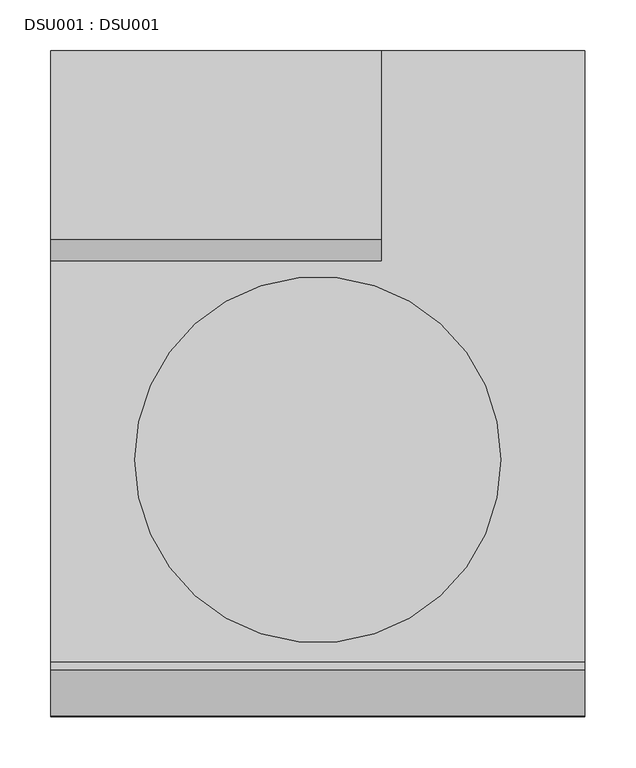
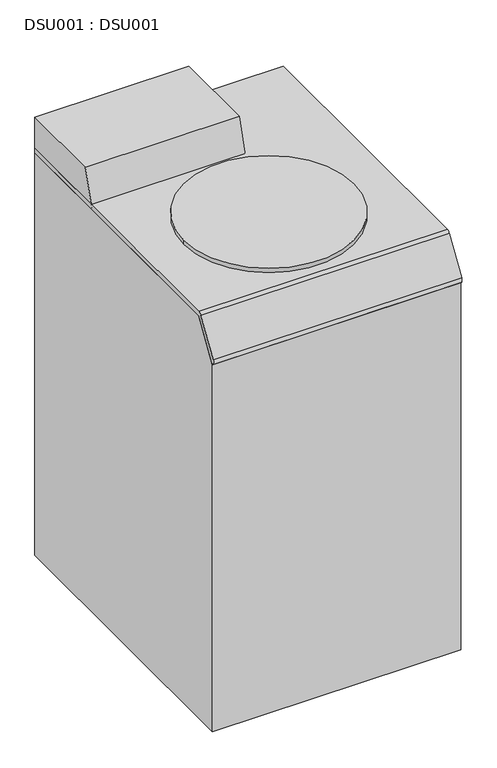
"""IFC4 building model written with IfcOpenShell, lengths in millimetres: proxy geometry, DSU001 : DSU001."""

import ifcopenshell
import ifcopenshell.guid

model = None  # the IFC model being written
_history = None  # IfcOwnerHistory: only IFC2X3 demands one
_inside = {}  # id of a spatial element -> (the spatial element, [elements in it])
_under = {}  # id of a project, library or spatial element -> (it, [spatial elements below it])
_declared = {}  # id of a project -> (the project, [libraries it declares])
_typed = {}  # id of a type object -> (the type object, [elements of that type])
_made_of = {}  # id of a material, layer set ... -> (it, [elements and type objects made of it])


def new_model(schema):
    """Start an empty IFC model of exactly this schema.

    Asked for "IFC4X3", IfcOpenShell would pick the latest addendum, in which some entities
    have other attributes; the version numbers below select the first issue.
    IFC2X3 requires an IfcOwnerHistory on every rooted entity: one is made here for all.
    """
    global model, _history
    if schema == "IFC4X3":
        model = ifcopenshell.file(schema_version=(4, 3, 0, 0))
    else:
        model = ifcopenshell.file(schema=schema)
    _inside.clear()
    _under.clear()
    _declared.clear()
    _typed.clear()
    _made_of.clear()
    _history = None
    if model.schema == "IFC2X3":
        org = make("IfcOrganization", Name="unknown")
        user = make(
            "IfcPersonAndOrganization",
            ThePerson=make("IfcPerson", FamilyName="unknown"),
            TheOrganization=org,
        )
        app = make(
            "IfcApplication",
            ApplicationDeveloper=org,
            Version="unknown",
            ApplicationFullName="unknown",
            ApplicationIdentifier="unknown",
        )
        _history = make(
            "IfcOwnerHistory",
            OwningUser=user,
            OwningApplication=app,
            ChangeAction="ADDED",
            CreationDate=0,
        )
    return model


def make(cls, **values):
    """One entity of the class cls with the attributes given. An attribute that is None is left unset."""
    return model.create_entity(
        cls, **{name: value for name, value in values.items() if value is not None}
    )


def rooted(cls, **values):
    """An entity with a GlobalId (a new one), such as an element, a storey or a relation."""
    return make(cls, GlobalId=ifcopenshell.guid.new(), OwnerHistory=_history, **values)


def si_unit(unit_type, name, prefix=None):
    """IfcSIUnit, for example si_unit("LENGTHUNIT", "METRE", prefix="MILLI")."""
    return make("IfcSIUnit", UnitType=unit_type, Prefix=prefix, Name=name)


def assignment(units):
    """IfcUnitAssignment: the units of a project."""
    return None if units is None else make("IfcUnitAssignment", Units=units)


def point(xyz):
    """IfcCartesianPoint."""
    return None if xyz is None else make("IfcCartesianPoint", Coordinates=xyz)


def direction(xyz):
    """IfcDirection."""
    return None if xyz is None else make("IfcDirection", DirectionRatios=xyz)


def frame(location, z_axis=None, x_axis=None):
    """IfcAxis2Placement3D, a coordinate frame: its origin and axes. An axis left out is left unset."""
    return make(
        "IfcAxis2Placement3D",
        Location=point(location),
        Axis=direction(z_axis),
        RefDirection=direction(x_axis),
    )


def frame_2d(location, x_axis=None):
    """IfcAxis2Placement2D, a coordinate frame in the plane: its origin and x axis."""
    return make(
        "IfcAxis2Placement2D", Location=point(location), RefDirection=direction(x_axis)
    )


def origin():
    """The frame at (0, 0, 0) with its axes left unset."""
    return frame((0.0, 0.0, 0.0))


def place(relative_to, where):
    """IfcLocalPlacement: puts the frame where relative to a parent placement (None: the world)."""
    return make(
        "IfcLocalPlacement", PlacementRelTo=relative_to, RelativePlacement=where
    )


def context(
    kind, dimensions, precision=None, world=None, true_north=None, identifier=None
):
    """IfcGeometricRepresentationContext, for example the 3D "Model" context."""
    return make(
        "IfcGeometricRepresentationContext",
        ContextIdentifier=identifier,
        ContextType=kind,
        CoordinateSpaceDimension=dimensions,
        Precision=precision,
        WorldCoordinateSystem=world,
        TrueNorth=true_north,
    )


def project(units=None, contexts=None):
    """IfcProject with its units and contexts."""
    return rooted(
        "IfcProject",
        Name="project",
        RepresentationContexts=contexts,
        UnitsInContext=assignment(units),
    )


def spatial(cls, under=None, at=None, **own):
    """A site, building, storey or space (cls), placed at a placement, below another one or the project."""
    s = rooted(cls, ObjectPlacement=at, **own)
    if under is not None:
        _under.setdefault(under.id(), (under, []))[1].append(s)
    return s


def polyline(points):
    """IfcPolyline through the points."""
    return make("IfcPolyline", Points=[point(p) for p in points])


def circle_curve(where, radius):
    """IfcCircle in the frame where."""
    return make("IfcCircle", Position=where, Radius=radius)


def trimmed(basis, trim1, trim2, sense, master):
    """IfcTrimmedCurve: the piece of a basis curve between two trims."""
    return make(
        "IfcTrimmedCurve",
        BasisCurve=basis,
        Trim1=trim1,
        Trim2=trim2,
        SenseAgreement=sense,
        MasterRepresentation=master,
    )


def segment(curve, same_sense, transition):
    """IfcCompositeCurveSegment."""
    return make(
        "IfcCompositeCurveSegment",
        Transition=transition,
        SameSense=same_sense,
        ParentCurve=curve,
    )


def composite_curve(segments, self_intersect=None):
    """IfcCompositeCurve: segments joined end to end."""
    return make("IfcCompositeCurve", Segments=segments, SelfIntersect=self_intersect)


def outline(outer, holes=None, kind="AREA"):
    """IfcArbitraryClosedProfileDef: a profile drawn as a closed curve; with holes, ...WithVoids."""
    if holes is None:
        return make("IfcArbitraryClosedProfileDef", ProfileType=kind, OuterCurve=outer)
    return make(
        "IfcArbitraryProfileDefWithVoids",
        ProfileType=kind,
        OuterCurve=outer,
        InnerCurves=holes,
    )


def extrude(swept, where, along, depth):
    """IfcExtrudedAreaSolid: the profile swept, set in the frame where, extruded along a direction by depth."""
    return make(
        "IfcExtrudedAreaSolid",
        SweptArea=swept,
        Position=where,
        ExtrudedDirection=direction(along),
        Depth=depth,
    )


def shape(context_of_items, identifier, shape_type, items):
    """IfcShapeRepresentation: the items that make up one representation, for example the "Body"."""
    return make(
        "IfcShapeRepresentation",
        ContextOfItems=context_of_items,
        RepresentationIdentifier=identifier,
        RepresentationType=shape_type,
        Items=items,
    )


def source(mapping_origin, context_of_items, identifier, shape_type, items):
    """IfcRepresentationMap: a shape defined once, which mapped items show again and again."""
    return make(
        "IfcRepresentationMap",
        MappingOrigin=mapping_origin,
        MappedRepresentation=shape(context_of_items, identifier, shape_type, items),
    )


def transform(
    local_origin,
    x_axis=None,
    y_axis=None,
    z_axis=None,
    scale=None,
    scale2=None,
    scale3=None,
    uniform=True,
):
    """IfcCartesianTransformationOperator3D, or its non-uniform kind. x_axis, y_axis, z_axis: its Axis1, 2, 3."""
    if uniform:
        return make(
            "IfcCartesianTransformationOperator3D",
            Axis1=direction(x_axis),
            Axis2=direction(y_axis),
            LocalOrigin=point(local_origin),
            Scale=scale,
            Axis3=direction(z_axis),
        )
    return make(
        "IfcCartesianTransformationOperator3DnonUniform",
        Axis1=direction(x_axis),
        Axis2=direction(y_axis),
        LocalOrigin=point(local_origin),
        Scale=scale,
        Axis3=direction(z_axis),
        Scale2=scale2,
        Scale3=scale3,
    )


def mapped(mapping_source, mapping_target):
    """IfcMappedItem: shows the shape of a source again, moved by a transform."""
    return make(
        "IfcMappedItem", MappingSource=mapping_source, MappingTarget=mapping_target
    )


def made_of(thing, what):
    """Note that an element or type object is made of a material, layer set ...; save() writes the relation."""
    if what is not None:
        _made_of.setdefault(what.id(), (what, []))[1].append(thing)
    return thing


def element(
    cls,
    number,
    at=None,
    inside=None,
    cuts=None,
    type_object=None,
    material=None,
    context=None,
    identifier="Body",
    shape_type=None,
    held_by="IfcProductDefinitionShape",
    body=None,
    shapes=None,
    **own,
):
    """One element of the class cls, such as IfcWall. Its Tag is "e" and its number.

    at: its placement. inside: the storey or other place that contains it. cuts: it is an
    opening in that element (IfcRelVoidsElement). A single representation is given by context,
    identifier, shape_type and body (its items); several are given by shapes. held_by: the class
    of the entity that holds the representations. save() writes the other relations.
    """
    e = rooted(cls, Tag="e%d" % number, ObjectPlacement=at, **own)
    if body is not None:
        shapes = [shape(context, identifier, shape_type, body)]
    if shapes is not None:
        e.Representation = make(held_by, Representations=shapes)
    if inside is not None:
        _inside.setdefault(inside.id(), (inside, []))[1].append(e)
    if cuts is not None:
        rooted(
            "IfcRelVoidsElement", RelatingBuildingElement=cuts, RelatedOpeningElement=e
        )
    if type_object is not None:
        _typed.setdefault(type_object.id(), (type_object, []))[1].append(e)
    return made_of(e, material)


def aggregate(whole, parts):
    """IfcRelAggregates: a whole, such as a stair, and the parts it consists of."""
    return rooted("IfcRelAggregates", RelatingObject=whole, RelatedObjects=parts)


def save(model, path):
    """Write the relations noted so far, then the file.

    IfcRelAggregates (storeys below a building ...), IfcRelContainedInSpatialStructure (elements
    in a storey), IfcRelDefinesByType, IfcRelAssociatesMaterial and IfcRelDeclares: one each for
    every whole, place, type object, material and project.
    """
    for whole, parts in _under.values():
        aggregate(whole, parts)
    for where, things in _inside.values():
        rooted(
            "IfcRelContainedInSpatialStructure",
            RelatedElements=things,
            RelatingStructure=where,
        )
    for kind, things in _typed.values():
        rooted("IfcRelDefinesByType", RelatedObjects=things, RelatingType=kind)
    for what, things in _made_of.values():
        rooted("IfcRelAssociatesMaterial", RelatedObjects=things, RelatingMaterial=what)
    for by, libraries in _declared.values():
        rooted("IfcRelDeclares", RelatingContext=by, RelatedDefinitions=libraries)
    model.write(path)


def dsu001_dsu001_975974fc(model_context):
    return source(origin(), model_context, "Body", "SweptSolid", [
        extrude(outline(composite_curve([segment(polyline([(-650.000005, 820.0000208), (-652.1870308, 822.1870466)]), True, "CONTINUOUS"), segment(trimmed(circle_curve(frame_2d((-645.81393, 828.5601475)), 9.0129256), [point((-652.1870308, 822.1870466))], [point((-653.4568752, 833.3369891))], False, "CARTESIAN"), True, "CONTINUOUS"), segment(polyline([(-653.4568752, 833.3369891), (-608.1966214, 905.7533821)]), True, "CONTINUOUS"), segment(trimmed(circle_curve(frame_2d((-600.5346579, 900.964654)), 9.0353529), [point((-608.1966214, 905.7533821))], [point((-600.5346579, 910.0000069))], False, "CARTESIAN"), True, "CONTINUOUS"), segment(polyline([(-600.5346579, 910.0000069), (0.0, 910.0000069), (0.0, 900.0000069), (-600.0000046, 900.0000069), (-650.000005, 820.0000208)]), True, "CONTINUOUS")], self_intersect=False)), frame((0.0, 0.0, 0.0), z_axis=(1.0, 0.0, 0.0), x_axis=(0.0, 1.0, 0.0)), (0.0, 0.0, 1.0), 525.000004),
        extrude(outline(composite_curve([segment(trimmed(circle_curve(frame_2d((262.5, -402.06)), 180.0), [point((82.5, -402.06))], [point((442.5, -402.06))], False, "CARTESIAN"), True, "CONTINUOUS"), segment(trimmed(circle_curve(frame_2d((262.5, -402.06)), 180.0), [point((442.5, -402.06))], [point((82.5, -402.06))], False, "CARTESIAN"), True, "CONTINUOUS")], self_intersect=False)), frame((0.0, 0.0, 900.0), z_axis=(0.0, 0.0, 1.0), x_axis=(1.0, 0.0, 0.0)), (0.0, 0.0, 1.0), 20.0),
        extrude(outline(polyline([(0.0, 979.9999929), (0.0, 900.0000069), (-210.0000089, 900.0000069), (-185.0000087, 979.9999929), (0.0, 979.9999929)])), frame((0.0, 0.0, 0.0), z_axis=(1.0, 0.0, 0.0), x_axis=(0.0, 1.0, 0.0)), (0.0, 0.0, 1.0), 325.0000025),
        extrude(outline(polyline([(0.0, 900.0000069), (0.0, 0.0), (-650.000005, 0.0), (-650.000005, 820.0000208), (-600.0000046, 900.0000069), (0.0, 900.0000069)])), frame((0.0, 0.0, 0.0), z_axis=(1.0, 0.0, 0.0), x_axis=(0.0, 1.0, 0.0)), (0.0, 0.0, 1.0), 525.000004),
    ])


if __name__ == "__main__":
    model = new_model("IFC4")
    model_context = context("Model", 3, world=origin())
    ifc_project = project(units=[si_unit("LENGTHUNIT", "METRE", prefix="MILLI")], contexts=[model_context])
    site = spatial("IfcSite", under=ifc_project)
    building = spatial("IfcBuilding", under=site)
    placement = place(None, origin())
    dsu001_dsu001_shape = dsu001_dsu001_975974fc(model_context)
    element("IfcBuildingElementProxy", 1, Name="DSU001 : DSU001", ObjectType="DSU001 : DSU001", at=placement, inside=building, context=model_context, shape_type="MappedRepresentation", body=[
        mapped(dsu001_dsu001_shape, transform((0.0, 0.0, 0.0), x_axis=(1.0, 0.0, 0.0), y_axis=(0.0, 1.0, 0.0), z_axis=(0.0, 0.0, 1.0))),
    ])
    save(model, "model.ifc")
